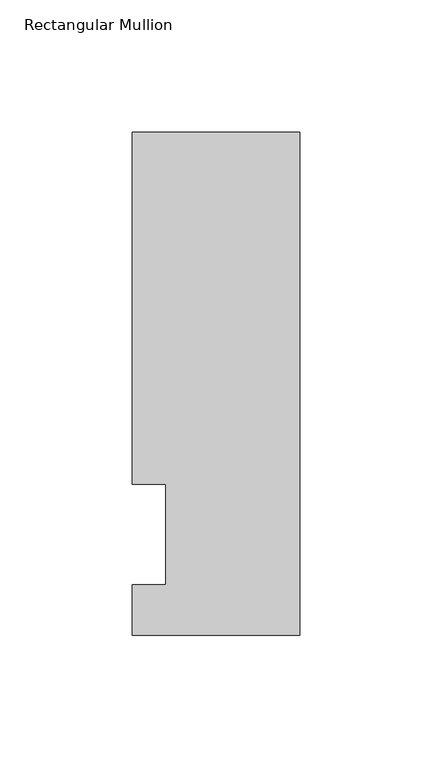
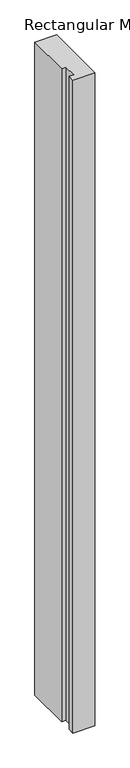
"""IFC4 building model written with IfcOpenShell, lengths in millimetres: member geometry, Rectangular Mullion."""

from ifc_helpers import new_model, si_unit, frame, origin, place, context, project, spatial, polyline, outline, extrude, source, transform, mapped, element, save


def rectangular_mullion_c504e4bf(model_context):
    return source(origin(), model_context, "Body", "SweptSolid", [
        extrude(outline(polyline([(-19.0500001, 57.94375), (-31.75, 57.94375), (-31.75, 191.29375), (31.7500005, 191.29375), (31.7500005, 0.7799873), (-31.7499995, 0.7799873), (-31.7499995, 19.84375), (-19.0500001, 19.84375), (-19.0500001, 57.94375)])), frame((0.0, 0.0, -1993.9), z_axis=(0.0, 0.0, 1.0), x_axis=(1.0, 0.0, 0.0)), (0.0, 0.0, 1.0), 1993.9),
    ])


if __name__ == "__main__":
    model = new_model("IFC4")
    model_context = context("Model", 3, world=origin())
    ifc_project = project(units=[si_unit("LENGTHUNIT", "METRE", prefix="MILLI")], contexts=[model_context])
    site = spatial("IfcSite", under=ifc_project)
    building = spatial("IfcBuilding", under=site)
    placement = place(None, origin())
    rectangular_mullion_shape = rectangular_mullion_c504e4bf(model_context)
    element("IfcMember", 1, ObjectType="Rectangular Mullion", at=placement, inside=building, context=model_context, shape_type="MappedRepresentation", body=[
        mapped(rectangular_mullion_shape, transform((0.0, 0.0, 0.0), x_axis=(1.0, 0.0, 0.0), y_axis=(0.0, 1.0, 0.0), z_axis=(0.0, 0.0, 1.0))),
    ])
    save(model, "model.ifc")
